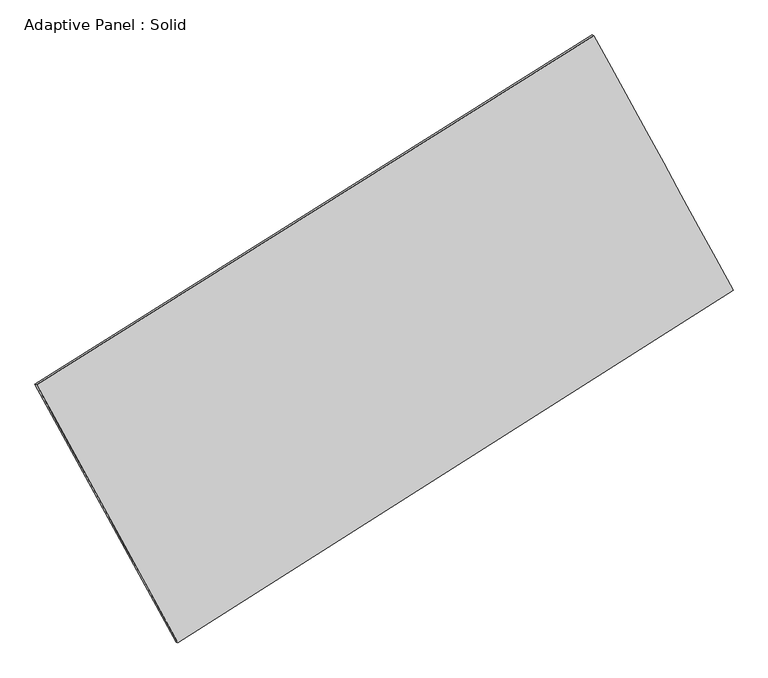
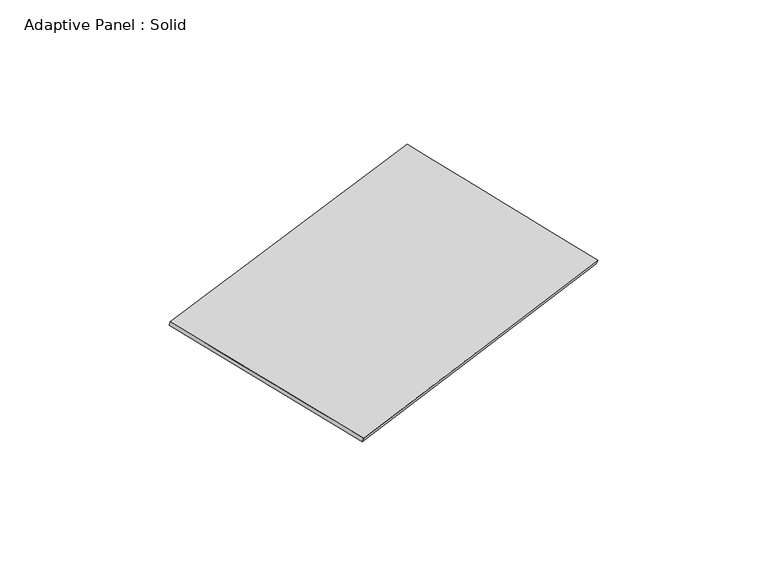
"""IFC4 building model written with IfcOpenShell, lengths in millimetres: plate geometry, Adaptive Panel : Solid."""

from ifc_helpers import new_model, si_unit, frame, origin, place, context, project, spatial, source, transform, mapped, element, save
from ifc_brep_helpers import plane_surface, spline_surface, advanced_brep


def adaptive_panel_solid_1a638f15(model_context):
    return source(origin(), model_context, "Body", "AdvancedBrep", [
        advanced_brep(
        [(1181.8079814, 2560.6400875, 665.6668539), (-3715.9335552, -508.088214, 1761.8925002), (-3701.2671994, -514.4683075, 1809.2654082), (1196.4743372, 2554.259994, 713.0397619), (-2473.7726162, -2776.18608, 1078.6141367), (-2459.1062603, -2782.5661734, 1125.9870447), (2404.6076119, 323.3856337, -21.0509705), (2419.2739677, 317.0055402, 26.3219375)],
        [
            (0, 1),
            (1, 2),
            (2, 3),
            (3, 0),
            (1, 4),
            (4, 5),
            (5, 2),
            (4, 6),
            (6, 7),
            (7, 5),
            (6, 0),
            (3, 7),
        ],
        [
            plane_surface(frame((-1267.0627869, 1026.2759367, 1213.7796771), z_axis=(-0.47046291943333407, 0.8434772818105948, 0.25925029702523916), x_axis=(-0.8325607216600904, -0.5216491377019327, 0.1863459736180516))),
            plane_surface(frame((-3094.8530857, -1642.137147, 1420.2533184), z_axis=(-0.836022420217573, -0.5149421371391995, 0.18947587786329384), x_axis=(0.4644086852814685, -0.8479773553402692, -0.25545836816448353))),
            plane_surface(frame((-34.5825021, -1226.4002232, 528.7815831), z_axis=(0.47529732762209986, -0.8404269854067938, -0.26033619140515063), x_axis=(0.8291673887441664, 0.526827279523578, -0.18690762154863125))),
            plane_surface(frame((1793.2077966, 1442.0128606, 322.3079417), z_axis=(0.8359613373769615, 0.5150537808590527, -0.18944193103354035), x_axis=(-0.46309770558412977, 0.8472912311580432, 0.2600732294670141))),
            spline_surface(1, 1, [[(-3701.2671994, -514.4683075, 1809.2654082), (1196.4743372, 2554.259994, 713.0397619)], [(-2459.1062603, -2782.5661734, 1125.9870447), (2419.2739677, 317.0055402, 26.3219375)]], [2, 2], [2, 2], [0.0, 1.0], [0.0, 1.0]),
            spline_surface(1, 1, [[(2404.6076119, 323.3856337, -21.0509705), (1181.8079814, 2560.6400875, 665.6668539)], [(-2473.7726162, -2776.18608, 1078.6141367), (-3715.9335552, -508.088214, 1761.8925002)]], [2, 2], [2, 2], [0.0, 1.0], [0.0, 1.0]),
        ],
        [
            (0, [[1, 2, 3, 4]]),
            (1, [[5, 6, 7, -2]]),
            (2, [[8, 9, 10, -6]]),
            (3, [[11, -4, 12, -9]]),
            (4, [[-3, -7, -10, -12]]),
            (5, [[-11, -8, -5, -1]]),
        ],
    ),
    ])


if __name__ == "__main__":
    model = new_model("IFC4")
    model_context = context("Model", 3, world=origin())
    ifc_project = project(units=[si_unit("LENGTHUNIT", "METRE", prefix="MILLI")], contexts=[model_context])
    site = spatial("IfcSite", under=ifc_project)
    building = spatial("IfcBuilding", under=site)
    placement = place(None, origin())
    adaptive_panel_solid_shape = adaptive_panel_solid_1a638f15(model_context)
    element("IfcPlate", 1, ObjectType="Adaptive Panel : Solid", at=placement, inside=building, context=model_context, shape_type="MappedRepresentation", body=[
        mapped(adaptive_panel_solid_shape, transform((0.0, 0.0, 0.0), x_axis=(1.0, 0.0, 0.0), y_axis=(0.0, 1.0, 0.0), z_axis=(0.0, 0.0, 1.0))),
    ])
    save(model, "model.ifc")
